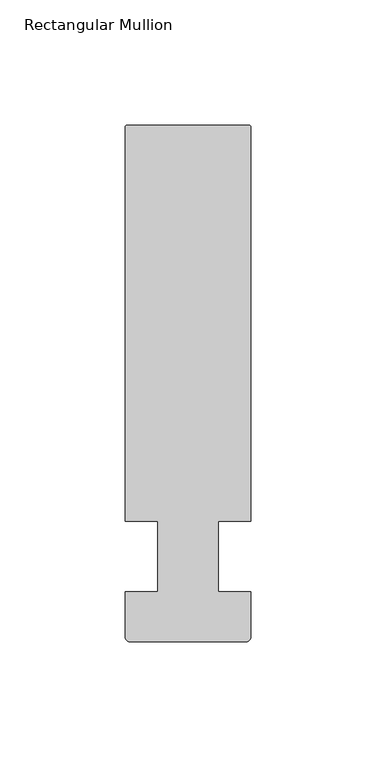
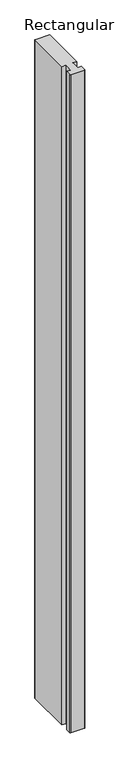
"""IFC4 building model written with IfcOpenShell, lengths in millimetres: member geometry, Rectangular Mullion."""

from ifc_helpers import new_model, si_unit, point, frame, frame_2d, origin, place, context, project, spatial, polyline, circle_curve, trimmed, segment, composite_curve, outline, extrude, source, transform, mapped, element, save


def rectangular_mullion_140a3b24(model_context):
    return source(origin(), model_context, "Body", "SweptSolid", [
        extrude(outline(composite_curve([segment(trimmed(circle_curve(frame_2d((24.5, 171.500001)), 0.5), [point((24.5, 172.000001))], [point((25.0, 171.500001))], False, "CARTESIAN"), True, "CONTINUOUS"), segment(polyline([(25.0, 171.500001), (25.0, 14.0), (12.0, 14.0), (12.0, -14.0), (25.0000001, -14.0), (25.0000001, -32.4268412)]), True, "CONTINUOUS"), segment(trimmed(circle_curve(frame_2d((23.4268422, -32.4268412)), 1.5731578), [point((25.0000001, -32.4268412))], [point((23.4268422, -33.999999))], False, "CARTESIAN"), True, "CONTINUOUS"), segment(polyline([(23.4268422, -33.999999), (-23.3824576, -33.999999)]), True, "CONTINUOUS"), segment(trimmed(circle_curve(frame_2d((-23.3824576, -32.3824565)), 1.6175425), [point((-23.3824576, -33.999999))], [point((-25.0000001, -32.3824565))], False, "CARTESIAN"), True, "CONTINUOUS"), segment(polyline([(-25.0000001, -32.3824565), (-25.0000001, -14.0), (-11.999514, -14.0), (-11.999514, 14.0), (-25.0, 14.0), (-25.0, 171.500001)]), True, "CONTINUOUS"), segment(trimmed(circle_curve(frame_2d((-24.5, 171.500001)), 0.5), [point((-25.0, 171.500001))], [point((-24.5, 172.000001))], False, "CARTESIAN"), True, "CONTINUOUS"), segment(polyline([(-24.5, 172.000001), (24.5, 172.000001)]), True, "CONTINUOUS")], self_intersect=False)), frame((0.0, 0.0, -2352.9080722), z_axis=(0.0, 0.0, 1.0), x_axis=(1.0, 0.0, 0.0)), (0.0, 0.0, 1.0), 2352.9080722),
    ])


if __name__ == "__main__":
    model = new_model("IFC4")
    model_context = context("Model", 3, world=origin())
    ifc_project = project(units=[si_unit("LENGTHUNIT", "METRE", prefix="MILLI")], contexts=[model_context])
    site = spatial("IfcSite", under=ifc_project)
    building = spatial("IfcBuilding", under=site)
    placement = place(None, origin())
    rectangular_mullion_shape = rectangular_mullion_140a3b24(model_context)
    element("IfcMember", 1, ObjectType="Rectangular Mullion", at=placement, inside=building, context=model_context, shape_type="MappedRepresentation", body=[
        mapped(rectangular_mullion_shape, transform((0.0, 0.0, 0.0), x_axis=(1.0, 0.0, 0.0), y_axis=(0.0, 1.0, 0.0), z_axis=(0.0, 0.0, 1.0))),
    ])
    save(model, "model.ifc")
